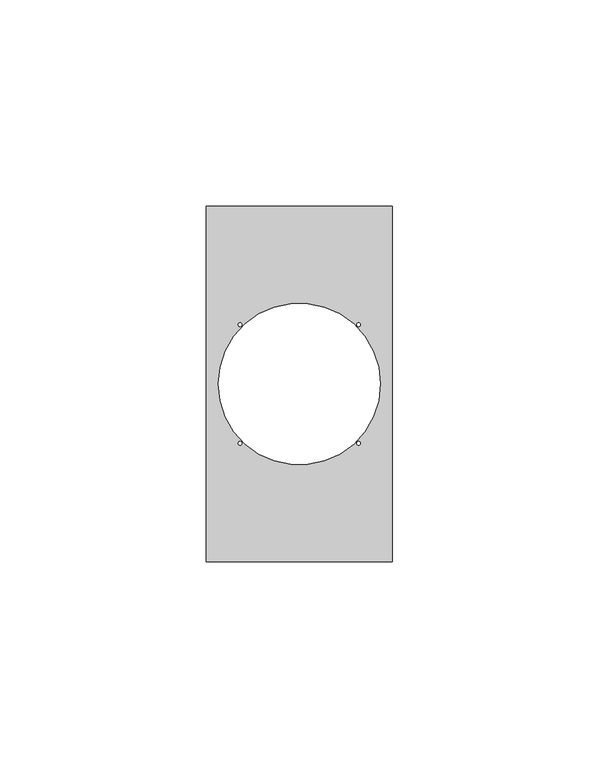
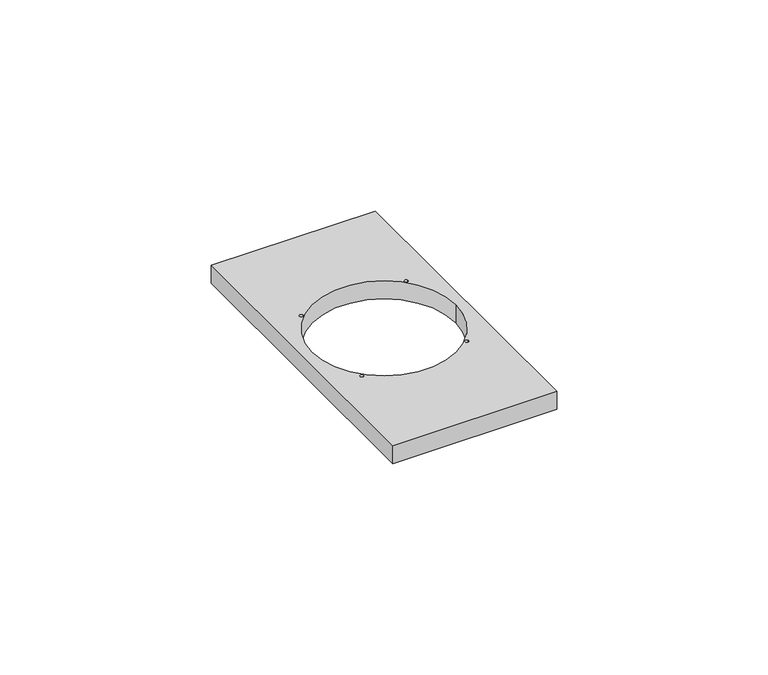
"""IFC4 building model written with IfcOpenShell, lengths in millimetres: proxy geometry."""

from ifc_helpers import new_model, si_unit, point, frame, frame_2d, origin, place, context, project, spatial, polyline, circle_curve, trimmed, segment, composite_curve, outline, extrude, source, transform, mapped, element, save


def electrical_fixtures_6b2d4ec8(model_context):
    return source(origin(), model_context, "Body", "SweptSolid", [
        extrude(outline(polyline([(0.0, 0.0), (0.0, 86.0), (45.0, 86.0), (45.0, 0.0), (0.0, 0.0)]), holes=[composite_curve([segment(trimmed(circle_curve(frame_2d((22.5, 43.0)), 19.6), [point((2.9, 43.0))], [point((42.1, 43.0))], True, "CARTESIAN"), True, "CONTINUOUS"), segment(trimmed(circle_curve(frame_2d((22.5, 43.0)), 19.6), [point((42.1, 43.0))], [point((2.9, 43.0))], True, "CARTESIAN"), True, "CONTINUOUS")], self_intersect=False), composite_curve([segment(trimmed(circle_curve(frame_2d((8.1452281, 57.3547719)), 0.45), [point((7.6952281, 57.3547719))], [point((8.5952281, 57.3547719))], True, "CARTESIAN"), True, "CONTINUOUS"), segment(trimmed(circle_curve(frame_2d((8.1452281, 57.3547719)), 0.45), [point((8.5952281, 57.3547719))], [point((7.6952281, 57.3547719))], True, "CARTESIAN"), True, "CONTINUOUS")], self_intersect=False), composite_curve([segment(trimmed(circle_curve(frame_2d((36.8547719, 57.3547719)), 0.45), [point((37.3047719, 57.3547719))], [point((36.4047719, 57.3547719))], True, "CARTESIAN"), True, "CONTINUOUS"), segment(trimmed(circle_curve(frame_2d((36.8547719, 57.3547719)), 0.45), [point((36.4047719, 57.3547719))], [point((37.3047719, 57.3547719))], True, "CARTESIAN"), True, "CONTINUOUS")], self_intersect=False), composite_curve([segment(trimmed(circle_curve(frame_2d((8.1452281, 28.6452281)), 0.45), [point((7.6952281, 28.6452281))], [point((8.5952281, 28.6452281))], True, "CARTESIAN"), True, "CONTINUOUS"), segment(trimmed(circle_curve(frame_2d((8.1452281, 28.6452281)), 0.45), [point((8.5952281, 28.6452281))], [point((7.6952281, 28.6452281))], True, "CARTESIAN"), True, "CONTINUOUS")], self_intersect=False), composite_curve([segment(trimmed(circle_curve(frame_2d((36.8547719, 28.6452281)), 0.45), [point((37.3047719, 28.6452281))], [point((36.4047719, 28.6452281))], True, "CARTESIAN"), True, "CONTINUOUS"), segment(trimmed(circle_curve(frame_2d((36.8547719, 28.6452281)), 0.45), [point((36.4047719, 28.6452281))], [point((37.3047719, 28.6452281))], True, "CARTESIAN"), True, "CONTINUOUS")], self_intersect=False)]), frame((0.0, 0.0, 5.5), z_axis=(0.0, 0.0, 1.0), x_axis=(1.0, 0.0, 0.0)), (0.0, 0.0, 1.0), 5.2),
    ])


if __name__ == "__main__":
    model = new_model("IFC4")
    model_context = context("Model", 3, world=origin())
    ifc_project = project(units=[si_unit("LENGTHUNIT", "METRE", prefix="MILLI")], contexts=[model_context])
    site = spatial("IfcSite", under=ifc_project)
    building = spatial("IfcBuilding", under=site)
    placement = place(None, origin())
    electrical_fixtures_shape = electrical_fixtures_6b2d4ec8(model_context)
    element("IfcBuildingElementProxy", 1, Name="Electrical Fixtures", at=placement, inside=building, context=model_context, shape_type="MappedRepresentation", body=[
        mapped(electrical_fixtures_shape, transform((0.0, 0.0, 0.0), x_axis=(1.0, 0.0, 0.0), y_axis=(0.0, 1.0, 0.0), z_axis=(0.0, 0.0, 1.0))),
    ])
    save(model, "model.ifc")
